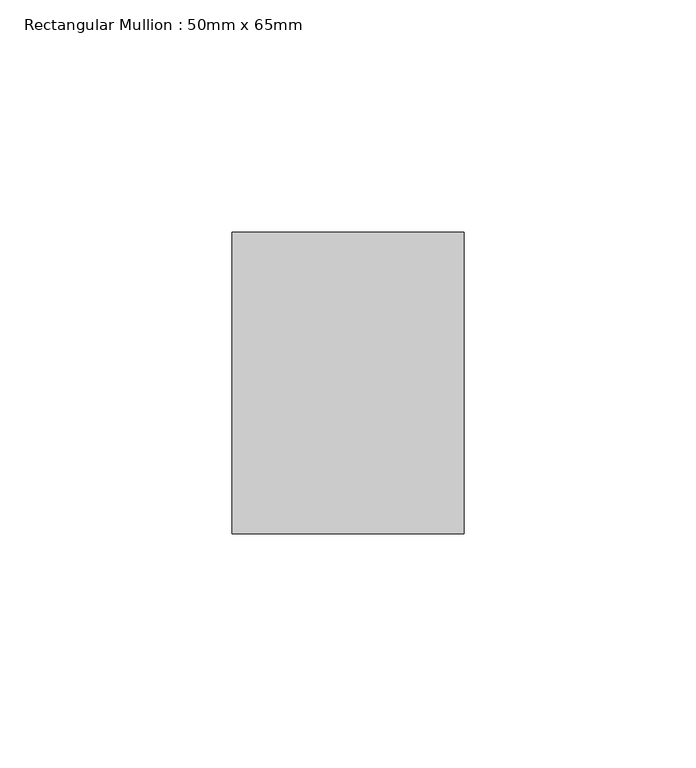
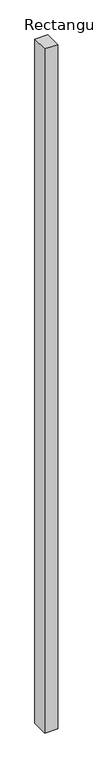
"""IFC4 building model written with IfcOpenShell, lengths in millimetres: member geometry, Rectangular Mullion : 50mm x 65mm."""

from ifc_helpers import new_model, si_unit, frame, origin, place, context, project, spatial, polyline, outline, extrude, source, transform, mapped, element, save


def rectangular_mullion_50mm_x_65mm_6b8085a4(model_context):
    return source(origin(), model_context, "Body", "SweptSolid", [
        extrude(outline(polyline([(25.0, 32.5), (25.0, -32.5), (-25.0, -32.5), (-25.0, 32.5), (25.0, 32.5)])), frame((0.0, 0.0, -2773.8911917), z_axis=(0.0, 0.0, 1.0), x_axis=(1.0, 0.0, 0.0)), (0.0, 0.0, 1.0), 2773.8911917),
    ])


if __name__ == "__main__":
    model = new_model("IFC4")
    model_context = context("Model", 3, world=origin())
    ifc_project = project(units=[si_unit("LENGTHUNIT", "METRE", prefix="MILLI")], contexts=[model_context])
    site = spatial("IfcSite", under=ifc_project)
    building = spatial("IfcBuilding", under=site)
    placement = place(None, origin())
    rectangular_mullion_50mm_x_65mm_shape = rectangular_mullion_50mm_x_65mm_6b8085a4(model_context)
    element("IfcMember", 1, ObjectType="Rectangular Mullion : 50mm x 65mm", at=placement, inside=building, context=model_context, shape_type="MappedRepresentation", body=[
        mapped(rectangular_mullion_50mm_x_65mm_shape, transform((0.0, 0.0, 0.0), x_axis=(1.0, 0.0, 0.0), y_axis=(0.0, 1.0, 0.0), z_axis=(0.0, 0.0, 1.0))),
    ])
    save(model, "model.ifc")
